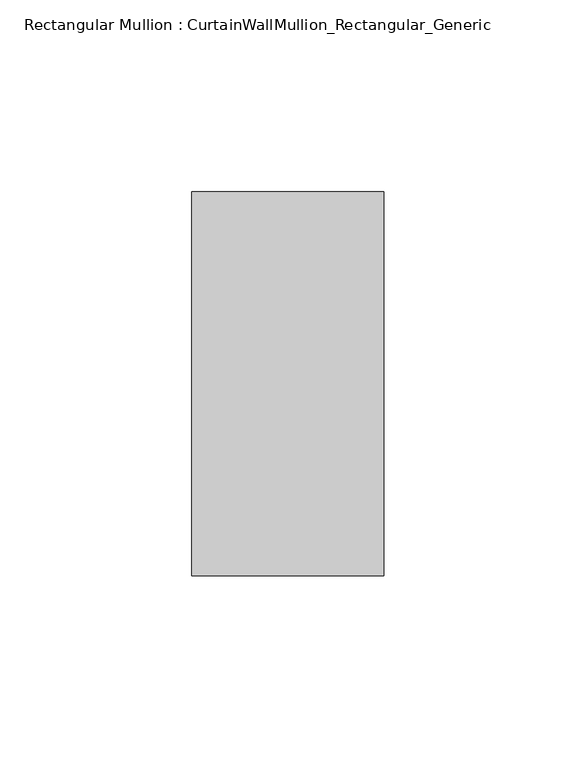
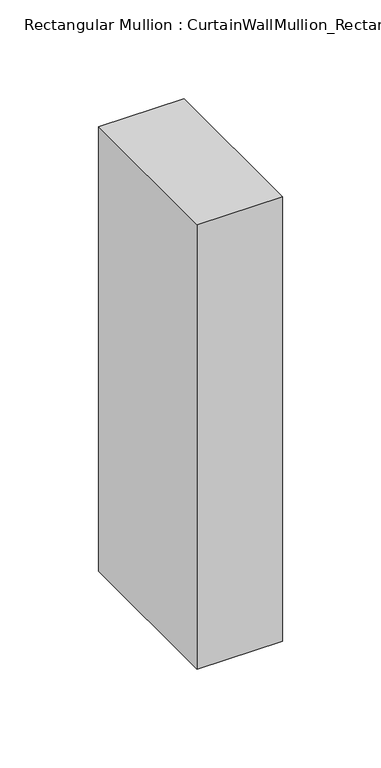
"""IFC4 building model written with IfcOpenShell, lengths in millimetres: member geometry, Rectangular Mullion : CurtainWallMullion_Rectangular_Generic."""

from ifc_helpers import new_model, si_unit, frame, origin, place, context, project, spatial, polyline, outline, extrude, source, transform, mapped, element, save


def rectangular_mullion_curtainwallmullion_rectangular_generic_6a6ca83e(model_context):
    return source(origin(), model_context, "Body", "SweptSolid", [
        extrude(outline(polyline([(0.0, 50.0), (0.0, -50.0), (-50.0, -50.0), (-50.0, 50.0), (0.0, 50.0)])), frame((0.0, 0.0, -275.0), z_axis=(0.0, 0.0, 1.0), x_axis=(1.0, 0.0, 0.0)), (0.0, 0.0, 1.0), 275.0),
    ])


if __name__ == "__main__":
    model = new_model("IFC4")
    model_context = context("Model", 3, world=origin())
    ifc_project = project(units=[si_unit("LENGTHUNIT", "METRE", prefix="MILLI")], contexts=[model_context])
    site = spatial("IfcSite", under=ifc_project)
    building = spatial("IfcBuilding", under=site)
    placement = place(None, origin())
    rectangular_mullion_curtainwallmullion_rectangular_generic_shape = rectangular_mullion_curtainwallmullion_rectangular_generic_6a6ca83e(model_context)
    element("IfcMember", 1, ObjectType="Rectangular Mullion : CurtainWallMullion_Rectangular_Generic", at=placement, inside=building, context=model_context, shape_type="MappedRepresentation", body=[
        mapped(rectangular_mullion_curtainwallmullion_rectangular_generic_shape, transform((0.0, 0.0, 0.0), x_axis=(1.0, 0.0, 0.0), y_axis=(0.0, 1.0, 0.0), z_axis=(0.0, 0.0, 1.0))),
    ])
    save(model, "model.ifc")
